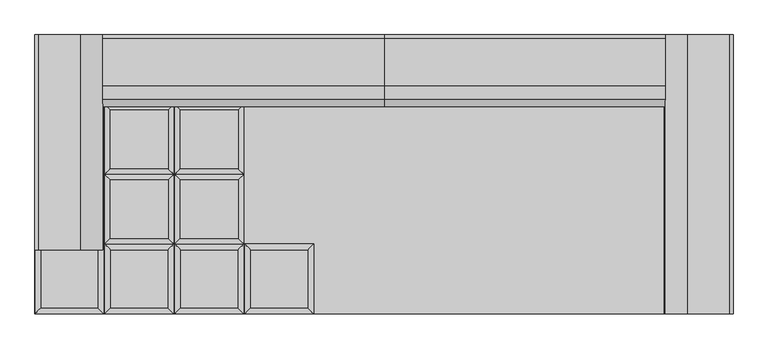
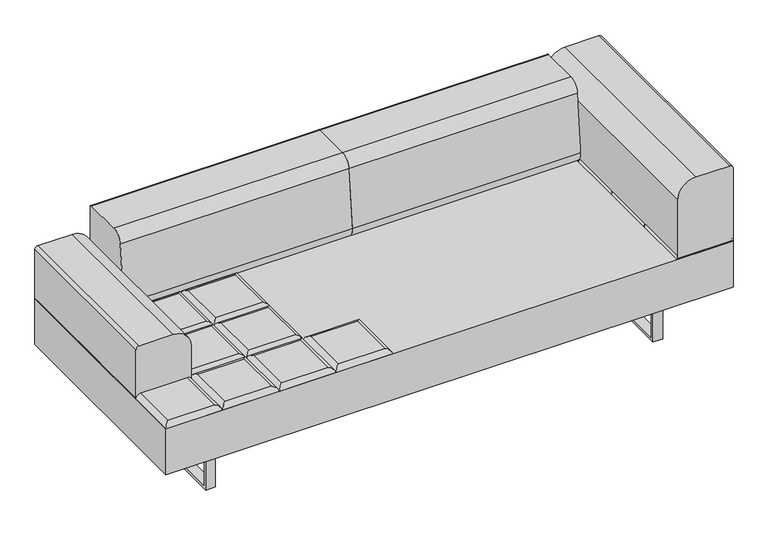
"""IFC4 building model written with IfcOpenShell, lengths in millimetres: furniture geometry."""

import ifcopenshell
import ifcopenshell.guid

model = None  # the IFC model being written
_history = None  # IfcOwnerHistory: only IFC2X3 demands one
_inside = {}  # id of a spatial element -> (the spatial element, [elements in it])
_under = {}  # id of a project, library or spatial element -> (it, [spatial elements below it])
_declared = {}  # id of a project -> (the project, [libraries it declares])
_typed = {}  # id of a type object -> (the type object, [elements of that type])
_made_of = {}  # id of a material, layer set ... -> (it, [elements and type objects made of it])


def new_model(schema):
    """Start an empty IFC model of exactly this schema.

    Asked for "IFC4X3", IfcOpenShell would pick the latest addendum, in which some entities
    have other attributes; the version numbers below select the first issue.
    IFC2X3 requires an IfcOwnerHistory on every rooted entity: one is made here for all.
    """
    global model, _history
    if schema == "IFC4X3":
        model = ifcopenshell.file(schema_version=(4, 3, 0, 0))
    else:
        model = ifcopenshell.file(schema=schema)
    _inside.clear()
    _under.clear()
    _declared.clear()
    _typed.clear()
    _made_of.clear()
    _history = None
    if model.schema == "IFC2X3":
        org = make("IfcOrganization", Name="unknown")
        user = make(
            "IfcPersonAndOrganization",
            ThePerson=make("IfcPerson", FamilyName="unknown"),
            TheOrganization=org,
        )
        app = make(
            "IfcApplication",
            ApplicationDeveloper=org,
            Version="unknown",
            ApplicationFullName="unknown",
            ApplicationIdentifier="unknown",
        )
        _history = make(
            "IfcOwnerHistory",
            OwningUser=user,
            OwningApplication=app,
            ChangeAction="ADDED",
            CreationDate=0,
        )
    return model


def make(cls, **values):
    """One entity of the class cls with the attributes given. An attribute that is None is left unset."""
    return model.create_entity(
        cls, **{name: value for name, value in values.items() if value is not None}
    )


def rooted(cls, **values):
    """An entity with a GlobalId (a new one), such as an element, a storey or a relation."""
    return make(cls, GlobalId=ifcopenshell.guid.new(), OwnerHistory=_history, **values)


def si_unit(unit_type, name, prefix=None):
    """IfcSIUnit, for example si_unit("LENGTHUNIT", "METRE", prefix="MILLI")."""
    return make("IfcSIUnit", UnitType=unit_type, Prefix=prefix, Name=name)


def assignment(units):
    """IfcUnitAssignment: the units of a project."""
    return None if units is None else make("IfcUnitAssignment", Units=units)


def point(xyz):
    """IfcCartesianPoint."""
    return None if xyz is None else make("IfcCartesianPoint", Coordinates=xyz)


def direction(xyz):
    """IfcDirection."""
    return None if xyz is None else make("IfcDirection", DirectionRatios=xyz)


def frame(location, z_axis=None, x_axis=None):
    """IfcAxis2Placement3D, a coordinate frame: its origin and axes. An axis left out is left unset."""
    return make(
        "IfcAxis2Placement3D",
        Location=point(location),
        Axis=direction(z_axis),
        RefDirection=direction(x_axis),
    )


def frame_2d(location, x_axis=None):
    """IfcAxis2Placement2D, a coordinate frame in the plane: its origin and x axis."""
    return make(
        "IfcAxis2Placement2D", Location=point(location), RefDirection=direction(x_axis)
    )


def origin():
    """The frame at (0, 0, 0) with its axes left unset."""
    return frame((0.0, 0.0, 0.0))


def place(relative_to, where):
    """IfcLocalPlacement: puts the frame where relative to a parent placement (None: the world)."""
    return make(
        "IfcLocalPlacement", PlacementRelTo=relative_to, RelativePlacement=where
    )


def context(
    kind, dimensions, precision=None, world=None, true_north=None, identifier=None
):
    """IfcGeometricRepresentationContext, for example the 3D "Model" context."""
    return make(
        "IfcGeometricRepresentationContext",
        ContextIdentifier=identifier,
        ContextType=kind,
        CoordinateSpaceDimension=dimensions,
        Precision=precision,
        WorldCoordinateSystem=world,
        TrueNorth=true_north,
    )


def project(units=None, contexts=None):
    """IfcProject with its units and contexts."""
    return rooted(
        "IfcProject",
        Name="project",
        RepresentationContexts=contexts,
        UnitsInContext=assignment(units),
    )


def spatial(cls, under=None, at=None, **own):
    """A site, building, storey or space (cls), placed at a placement, below another one or the project."""
    s = rooted(cls, ObjectPlacement=at, **own)
    if under is not None:
        _under.setdefault(under.id(), (under, []))[1].append(s)
    return s


def polyline(points):
    """IfcPolyline through the points."""
    return make("IfcPolyline", Points=[point(p) for p in points])


def circle_curve(where, radius):
    """IfcCircle in the frame where."""
    return make("IfcCircle", Position=where, Radius=radius)


def ellipse_curve(where, semi_axis1, semi_axis2):
    """IfcEllipse in the frame where."""
    return make(
        "IfcEllipse", Position=where, SemiAxis1=semi_axis1, SemiAxis2=semi_axis2
    )


def trimmed(basis, trim1, trim2, sense, master):
    """IfcTrimmedCurve: the piece of a basis curve between two trims."""
    return make(
        "IfcTrimmedCurve",
        BasisCurve=basis,
        Trim1=trim1,
        Trim2=trim2,
        SenseAgreement=sense,
        MasterRepresentation=master,
    )


def segment(curve, same_sense, transition):
    """IfcCompositeCurveSegment."""
    return make(
        "IfcCompositeCurveSegment",
        Transition=transition,
        SameSense=same_sense,
        ParentCurve=curve,
    )


def composite_curve(segments, self_intersect=None):
    """IfcCompositeCurve: segments joined end to end."""
    return make("IfcCompositeCurve", Segments=segments, SelfIntersect=self_intersect)


def outline(outer, holes=None, kind="AREA"):
    """IfcArbitraryClosedProfileDef: a profile drawn as a closed curve; with holes, ...WithVoids."""
    if holes is None:
        return make("IfcArbitraryClosedProfileDef", ProfileType=kind, OuterCurve=outer)
    return make(
        "IfcArbitraryProfileDefWithVoids",
        ProfileType=kind,
        OuterCurve=outer,
        InnerCurves=holes,
    )


def extrude(swept, where, along, depth):
    """IfcExtrudedAreaSolid: the profile swept, set in the frame where, extruded along a direction by depth."""
    return make(
        "IfcExtrudedAreaSolid",
        SweptArea=swept,
        Position=where,
        ExtrudedDirection=direction(along),
        Depth=depth,
    )


def shape(context_of_items, identifier, shape_type, items):
    """IfcShapeRepresentation: the items that make up one representation, for example the "Body"."""
    return make(
        "IfcShapeRepresentation",
        ContextOfItems=context_of_items,
        RepresentationIdentifier=identifier,
        RepresentationType=shape_type,
        Items=items,
    )


def source(mapping_origin, context_of_items, identifier, shape_type, items):
    """IfcRepresentationMap: a shape defined once, which mapped items show again and again."""
    return make(
        "IfcRepresentationMap",
        MappingOrigin=mapping_origin,
        MappedRepresentation=shape(context_of_items, identifier, shape_type, items),
    )


def transform(
    local_origin,
    x_axis=None,
    y_axis=None,
    z_axis=None,
    scale=None,
    scale2=None,
    scale3=None,
    uniform=True,
):
    """IfcCartesianTransformationOperator3D, or its non-uniform kind. x_axis, y_axis, z_axis: its Axis1, 2, 3."""
    if uniform:
        return make(
            "IfcCartesianTransformationOperator3D",
            Axis1=direction(x_axis),
            Axis2=direction(y_axis),
            LocalOrigin=point(local_origin),
            Scale=scale,
            Axis3=direction(z_axis),
        )
    return make(
        "IfcCartesianTransformationOperator3DnonUniform",
        Axis1=direction(x_axis),
        Axis2=direction(y_axis),
        LocalOrigin=point(local_origin),
        Scale=scale,
        Axis3=direction(z_axis),
        Scale2=scale2,
        Scale3=scale3,
    )


def mapped(mapping_source, mapping_target):
    """IfcMappedItem: shows the shape of a source again, moved by a transform."""
    return make(
        "IfcMappedItem", MappingSource=mapping_source, MappingTarget=mapping_target
    )


def made_of(thing, what):
    """Note that an element or type object is made of a material, layer set ...; save() writes the relation."""
    if what is not None:
        _made_of.setdefault(what.id(), (what, []))[1].append(thing)
    return thing


def element(
    cls,
    number,
    at=None,
    inside=None,
    cuts=None,
    type_object=None,
    material=None,
    context=None,
    identifier="Body",
    shape_type=None,
    held_by="IfcProductDefinitionShape",
    body=None,
    shapes=None,
    **own,
):
    """One element of the class cls, such as IfcWall. Its Tag is "e" and its number.

    at: its placement. inside: the storey or other place that contains it. cuts: it is an
    opening in that element (IfcRelVoidsElement). A single representation is given by context,
    identifier, shape_type and body (its items); several are given by shapes. held_by: the class
    of the entity that holds the representations. save() writes the other relations.
    """
    e = rooted(cls, Tag="e%d" % number, ObjectPlacement=at, **own)
    if body is not None:
        shapes = [shape(context, identifier, shape_type, body)]
    if shapes is not None:
        e.Representation = make(held_by, Representations=shapes)
    if inside is not None:
        _inside.setdefault(inside.id(), (inside, []))[1].append(e)
    if cuts is not None:
        rooted(
            "IfcRelVoidsElement", RelatingBuildingElement=cuts, RelatedOpeningElement=e
        )
    if type_object is not None:
        _typed.setdefault(type_object.id(), (type_object, []))[1].append(e)
    return made_of(e, material)


def aggregate(whole, parts):
    """IfcRelAggregates: a whole, such as a stair, and the parts it consists of."""
    return rooted("IfcRelAggregates", RelatingObject=whole, RelatedObjects=parts)


def save(model, path):
    """Write the relations noted so far, then the file.

    IfcRelAggregates (storeys below a building ...), IfcRelContainedInSpatialStructure (elements
    in a storey), IfcRelDefinesByType, IfcRelAssociatesMaterial and IfcRelDeclares: one each for
    every whole, place, type object, material and project.
    """
    for whole, parts in _under.values():
        aggregate(whole, parts)
    for where, things in _inside.values():
        rooted(
            "IfcRelContainedInSpatialStructure",
            RelatedElements=things,
            RelatingStructure=where,
        )
    for kind, things in _typed.values():
        rooted("IfcRelDefinesByType", RelatedObjects=things, RelatingType=kind)
    for what, things in _made_of.values():
        rooted("IfcRelAssociatesMaterial", RelatedObjects=things, RelatingMaterial=what)
    for by, libraries in _declared.values():
        rooted("IfcRelDeclares", RelatingContext=by, RelatedDefinitions=libraries)
    model.write(path)


def plane_surface(at):
    """IfcPlane: the flat surface through the origin of the frame at, square to its z axis."""
    return make("IfcPlane", Position=at)


def cylinder_surface(at, radius):
    """IfcCylindricalSurface: all points at the distance radius from the z axis of the frame at."""
    return make("IfcCylindricalSurface", Position=at, Radius=radius)


def advanced_brep(points, edges, surfaces, faces):
    """IfcAdvancedBrep: a solid bounded by faces that lie on surfaces and meet in shared edges.

    An edge is (start, end): straight between two places in points (the first is 0);
    or (start, end, curve); or (start, end, curve, False) where it runs against its curve.
    A face is (place in surfaces, loops), or (place, loops, False) where it looks against
    its surface's normal. A loop lists edges by number (the first is 1), with a minus sign
    where the edge is run from its end to its start. The first loop is the outer one.
    """
    corners = [point(p) for p in points]
    vertices = [make("IfcVertexPoint", VertexGeometry=c) for c in corners]
    made = []
    for start, end, *more in edges:
        made.append(
            make(
                "IfcEdgeCurve",
                EdgeStart=vertices[start],
                EdgeEnd=vertices[end],
                EdgeGeometry=more[0] if more else make("IfcPolyline", Points=[corners[start], corners[end]]),
                SameSense=more[1] if len(more) > 1 else True,
            )
        )
    hull = []
    for where, loops, *sense in faces:
        bounds = []
        for j, loop in enumerate(loops):
            ring = [make("IfcOrientedEdge", EdgeElement=made[abs(k) - 1], Orientation=k > 0) for k in loop]
            bounds.append(
                make(
                    "IfcFaceOuterBound" if j == 0 else "IfcFaceBound",
                    Bound=make("IfcEdgeLoop", EdgeList=ring),
                    Orientation=True,
                )
            )
        hull.append(make("IfcAdvancedFace", Bounds=bounds, FaceSurface=surfaces[where], SameSense=sense[0] if sense else True))
    return make("IfcAdvancedBrep", Outer=make("IfcClosedShell", CfsFaces=hull))


def furniture_93b924e1(model_context):
    return source(origin(), model_context, "Body", "SolidModel", [
        advanced_brep(
        [(-223.9433333, -222.25, 393.7), (-241.9038456, -240.2105122, 411.6605122), (-241.9038456, -426.5394878, 411.6605122), (-223.9433333, -444.5, 393.7), (-425.6928211, -426.5394878, 411.6605122), (-443.6533333, -444.5, 393.7), (-425.6928211, -240.2105122, 411.6605122), (-443.6533333, -222.25, 393.7)],
        [
            (0, 1, ellipse_curve(frame((-241.9038456, -240.2105122, 393.7), z_axis=(0.7071067811865475, -0.7071067811865475, 0.0), x_axis=(0.7071067811865474, 0.7071067811865476, 0.0)), 25.4, 17.9605122)),
            (1, 2),
            (2, 3, ellipse_curve(frame((-241.9038456, -426.5394878, 393.7), z_axis=(0.7071067811865475, 0.7071067811865475, 0.0), x_axis=(-0.7071067811865474, 0.7071067811865476, 0.0)), 25.4, 17.9605122)),
            (3, 0),
            (2, 4),
            (4, 5, ellipse_curve(frame((-425.6928211, -426.5394878, 393.7), z_axis=(0.7071067811865475, -0.7071067811865475, 0.0), x_axis=(0.7071067811865476, 0.7071067811865474, 0.0)), 25.4, 17.9605122)),
            (5, 3),
            (4, 6),
            (6, 7, ellipse_curve(frame((-425.6928211, -240.2105122, 393.7), z_axis=(-0.7071067811865475, -0.7071067811865475, 0.0), x_axis=(0.7071067811865474, -0.7071067811865476, 0.0)), 25.4, 17.9605122)),
            (7, 5),
            (0, 7),
            (6, 1),
        ],
        [
            cylinder_surface(frame((-241.9038456, -222.25, 393.7), z_axis=(0.0, 1.0, 0.0), x_axis=(1.0, 0.0, 0.0)), 17.9605122),
            cylinder_surface(frame((-223.9433333, -426.5394878, 393.7), z_axis=(1.0, 0.0, 0.0), x_axis=(0.0, -1.0, 0.0)), 17.9605122),
            cylinder_surface(frame((-425.6928211, -444.5, 393.7), z_axis=(0.0, -1.0, 0.0), x_axis=(-1.0, 0.0, 0.0)), 17.9605122),
            cylinder_surface(frame((-443.6533333, -240.2105122, 393.7), z_axis=(-1.0, 0.0, 0.0), x_axis=(0.0, 1.0, 0.0)), 17.9605122),
            plane_surface(frame((-443.6533333, -222.25, 393.7), z_axis=(0.0, 0.0, -1.0), x_axis=(1.0, 0.0, 0.0))),
            plane_surface(frame((-425.6928211, -240.2105122, 411.6605122), z_axis=(0.0, 0.0, 1.0), x_axis=(-1.0, 0.0, 0.0))),
        ],
        [
            (0, [[1, 2, 3, 4]]),
            (1, [[-3, 5, 6, 7]]),
            (2, [[-6, 8, 9, 10]]),
            (3, [[-1, 11, -9, 12]]),
            (4, [[-4, -7, -10, -11]]),
            (5, [[-2, -12, -8, -5]]),
        ],
    ),
        advanced_brep(
        [(-464.4360678, -204.2894878, 411.6605122), (-464.4360678, -17.9605122, 411.6605122), (-648.2250433, -17.9605122, 411.6605122), (-648.2250433, -204.2894878, 411.6605122), (-446.4755556, 0.0, 393.7), (-446.4755556, -222.25, 393.7), (-666.1855556, -222.25, 393.7), (-666.1855556, 0.0, 393.7)],
        [
            (0, 1),
            (1, 2),
            (2, 3),
            (3, 0),
            (4, 5),
            (5, 6),
            (6, 7),
            (7, 4),
            (4, 1, ellipse_curve(frame((-464.4360678, -17.9605122, 393.7), z_axis=(0.7071067811865475, -0.7071067811865475, 0.0), x_axis=(0.7071067811865474, 0.7071067811865476, 0.0)), 25.4, 17.9605122)),
            (0, 5, ellipse_curve(frame((-464.4360678, -204.2894878, 393.7), z_axis=(0.7071067811865475, 0.7071067811865475, 0.0), x_axis=(-0.7071067811865474, 0.7071067811865476, 0.0)), 25.4, 17.9605122)),
            (3, 6, ellipse_curve(frame((-648.2250433, -204.2894878, 393.7), z_axis=(0.7071067811865475, -0.7071067811865475, 0.0), x_axis=(0.7071067811865476, 0.7071067811865474, 0.0)), 25.4, 17.9605122)),
            (2, 7, ellipse_curve(frame((-648.2250433, -17.9605122, 393.7), z_axis=(-0.7071067811865475, -0.7071067811865475, 0.0), x_axis=(0.7071067811865474, -0.7071067811865476, 0.0)), 25.4, 17.9605122)),
        ],
        [
            plane_surface(frame((-648.2250433, -17.9605122, 411.6605122), z_axis=(0.0, 0.0, 1.0), x_axis=(-1.0, 0.0, 0.0))),
            plane_surface(frame((-648.2250433, -17.9605122, 393.7), z_axis=(0.0, 0.0, -1.0), x_axis=(1.0, 0.0, 0.0))),
            cylinder_surface(frame((-464.4360678, 0.0, 393.7), z_axis=(0.0, 1.0, 0.0), x_axis=(1.0, 0.0, 0.0)), 17.9605122),
            cylinder_surface(frame((-446.4755556, -204.2894878, 393.7), z_axis=(1.0, 0.0, 0.0), x_axis=(0.0, -1.0, 0.0)), 17.9605122),
            cylinder_surface(frame((-648.2250433, -222.25, 393.7), z_axis=(0.0, -1.0, 0.0), x_axis=(-1.0, 0.0, 0.0)), 17.9605122),
            cylinder_surface(frame((-666.1855556, -17.9605122, 393.7), z_axis=(-1.0, 0.0, 0.0), x_axis=(0.0, 1.0, 0.0)), 17.9605122),
        ],
        [
            (0, [[1, 2, 3, 4]]),
            (1, [[5, 6, 7, 8]]),
            (2, [[9, -1, 10, -5]]),
            (3, [[-10, -4, 11, -6]]),
            (4, [[-11, -3, 12, -7]]),
            (5, [[-9, -8, -12, -2]]),
        ],
    ),
        advanced_brep(
        [(-464.4360678, 17.9605122, 411.6605122), (-464.4360678, 204.2894878, 411.6605122), (-648.2250433, 204.2894878, 411.6605122), (-648.2250433, 17.9605122, 411.6605122), (-446.4755556, 222.25, 393.7), (-446.4755556, 0.0, 393.7), (-666.1855556, 0.0, 393.7), (-666.1855556, 222.25, 393.7)],
        [
            (0, 1),
            (1, 2),
            (2, 3),
            (3, 0),
            (4, 5),
            (5, 6),
            (6, 7),
            (7, 4),
            (4, 1, ellipse_curve(frame((-464.4360678, 204.2894878, 393.7), z_axis=(0.7071067811865475, -0.7071067811865475, 0.0), x_axis=(0.7071067811865474, 0.7071067811865476, 0.0)), 25.4, 17.9605122)),
            (0, 5, ellipse_curve(frame((-464.4360678, 17.9605122, 393.7), z_axis=(0.7071067811865475, 0.7071067811865475, 0.0), x_axis=(-0.7071067811865474, 0.7071067811865476, 0.0)), 25.4, 17.9605122)),
            (3, 6, ellipse_curve(frame((-648.2250433, 17.9605122, 393.7), z_axis=(0.7071067811865475, -0.7071067811865475, 0.0), x_axis=(0.7071067811865476, 0.7071067811865474, 0.0)), 25.4, 17.9605122)),
            (2, 7, ellipse_curve(frame((-648.2250433, 204.2894878, 393.7), z_axis=(-0.7071067811865475, -0.7071067811865475, 0.0), x_axis=(0.7071067811865474, -0.7071067811865476, 0.0)), 25.4, 17.9605122)),
        ],
        [
            plane_surface(frame((-648.2250433, 204.2894878, 411.6605122), z_axis=(0.0, 0.0, 1.0), x_axis=(-1.0, 0.0, 0.0))),
            plane_surface(frame((-648.2250433, 204.2894878, 393.7), z_axis=(0.0, 0.0, -1.0), x_axis=(1.0, 0.0, 0.0))),
            cylinder_surface(frame((-464.4360678, 222.25, 393.7), z_axis=(0.0, 1.0, 0.0), x_axis=(1.0, 0.0, 0.0)), 17.9605122),
            cylinder_surface(frame((-446.4755556, 17.9605122, 393.7), z_axis=(1.0, 0.0, 0.0), x_axis=(0.0, -1.0, 0.0)), 17.9605122),
            cylinder_surface(frame((-648.2250433, 0.0, 393.7), z_axis=(0.0, -1.0, 0.0), x_axis=(-1.0, 0.0, 0.0)), 17.9605122),
            cylinder_surface(frame((-666.1855556, 204.2894878, 393.7), z_axis=(-1.0, 0.0, 0.0), x_axis=(0.0, 1.0, 0.0)), 17.9605122),
        ],
        [
            (0, [[1, 2, 3, 4]]),
            (1, [[5, 6, 7, 8]]),
            (2, [[9, -1, 10, -5]]),
            (3, [[-10, -4, 11, -6]]),
            (4, [[-11, -3, 12, -7]]),
            (5, [[-9, -8, -12, -2]]),
        ],
    ),
        advanced_brep(
        [(-464.4360678, 240.2105122, 411.6605122), (-464.4360678, 426.5394878, 411.6605122), (-648.2250433, 426.5394878, 411.6605122), (-648.2250433, 240.2105122, 411.6605122), (-446.4755556, 444.5, 393.7), (-446.4755556, 222.25, 393.7), (-666.1855556, 222.25, 393.7), (-666.1855556, 444.5, 393.7)],
        [
            (0, 1),
            (1, 2),
            (2, 3),
            (3, 0),
            (4, 5),
            (5, 6),
            (6, 7),
            (7, 4),
            (4, 1, ellipse_curve(frame((-464.4360678, 426.5394878, 393.7), z_axis=(0.7071067811865475, -0.7071067811865475, 0.0), x_axis=(0.7071067811865474, 0.7071067811865476, 0.0)), 25.4, 17.9605122)),
            (0, 5, ellipse_curve(frame((-464.4360678, 240.2105122, 393.7), z_axis=(0.7071067811865475, 0.7071067811865475, 0.0), x_axis=(-0.7071067811865474, 0.7071067811865476, 0.0)), 25.4, 17.9605122)),
            (3, 6, ellipse_curve(frame((-648.2250433, 240.2105122, 393.7), z_axis=(0.7071067811865475, -0.7071067811865475, 0.0), x_axis=(0.7071067811865476, 0.7071067811865474, 0.0)), 25.4, 17.9605122)),
            (2, 7, ellipse_curve(frame((-648.2250433, 426.5394878, 393.7), z_axis=(-0.7071067811865475, -0.7071067811865475, 0.0), x_axis=(0.7071067811865474, -0.7071067811865476, 0.0)), 25.4, 17.9605122)),
        ],
        [
            plane_surface(frame((-648.2250433, 426.5394878, 411.6605122), z_axis=(0.0, 0.0, 1.0), x_axis=(-1.0, 0.0, 0.0))),
            plane_surface(frame((-648.2250433, 426.5394878, 393.7), z_axis=(0.0, 0.0, -1.0), x_axis=(1.0, 0.0, 0.0))),
            cylinder_surface(frame((-464.4360678, 444.5, 393.7), z_axis=(0.0, 1.0, 0.0), x_axis=(1.0, 0.0, 0.0)), 17.9605122),
            cylinder_surface(frame((-446.4755556, 240.2105122, 393.7), z_axis=(1.0, 0.0, 0.0), x_axis=(0.0, -1.0, 0.0)), 17.9605122),
            cylinder_surface(frame((-648.2250433, 222.25, 393.7), z_axis=(0.0, -1.0, 0.0), x_axis=(-1.0, 0.0, 0.0)), 17.9605122),
            cylinder_surface(frame((-666.1855556, 426.5394878, 393.7), z_axis=(-1.0, 0.0, 0.0), x_axis=(0.0, 1.0, 0.0)), 17.9605122),
        ],
        [
            (0, [[1, 2, 3, 4]]),
            (1, [[5, 6, 7, 8]]),
            (2, [[9, -1, 10, -5]]),
            (3, [[-10, -4, 11, -6]]),
            (4, [[-11, -3, 12, -7]]),
            (5, [[-9, -8, -12, -2]]),
        ],
    ),
        advanced_brep(
        [(-446.4755556, -222.25, 393.7), (-464.4360678, -240.2105122, 411.6605122), (-464.4360678, -426.5394878, 411.6605122), (-446.4755556, -444.5, 393.7), (-648.2250433, -426.5394878, 411.6605122), (-666.1855556, -444.5, 393.7), (-648.2250433, -240.2105122, 411.6605122), (-666.1855556, -222.25, 393.7)],
        [
            (0, 1, ellipse_curve(frame((-464.4360678, -240.2105122, 393.7), z_axis=(0.7071067811865475, -0.7071067811865475, 0.0), x_axis=(0.7071067811865474, 0.7071067811865476, 0.0)), 25.4, 17.9605122)),
            (1, 2),
            (2, 3, ellipse_curve(frame((-464.4360678, -426.5394878, 393.7), z_axis=(0.7071067811865475, 0.7071067811865475, 0.0), x_axis=(-0.7071067811865474, 0.7071067811865476, 0.0)), 25.4, 17.9605122)),
            (3, 0),
            (2, 4),
            (4, 5, ellipse_curve(frame((-648.2250433, -426.5394878, 393.7), z_axis=(0.7071067811865475, -0.7071067811865475, 0.0), x_axis=(0.7071067811865476, 0.7071067811865474, 0.0)), 25.4, 17.9605122)),
            (5, 3),
            (4, 6),
            (6, 7, ellipse_curve(frame((-648.2250433, -240.2105122, 393.7), z_axis=(-0.7071067811865475, -0.7071067811865475, 0.0), x_axis=(0.7071067811865474, -0.7071067811865476, 0.0)), 25.4, 17.9605122)),
            (7, 5),
            (0, 7),
            (6, 1),
        ],
        [
            cylinder_surface(frame((-464.4360678, -222.25, 393.7), z_axis=(0.0, 1.0, 0.0), x_axis=(1.0, 0.0, 0.0)), 17.9605122),
            cylinder_surface(frame((-446.4755556, -426.5394878, 393.7), z_axis=(1.0, 0.0, 0.0), x_axis=(0.0, -1.0, 0.0)), 17.9605122),
            cylinder_surface(frame((-648.2250433, -444.5, 393.7), z_axis=(0.0, -1.0, 0.0), x_axis=(-1.0, 0.0, 0.0)), 17.9605122),
            cylinder_surface(frame((-666.1855556, -240.2105122, 393.7), z_axis=(-1.0, 0.0, 0.0), x_axis=(0.0, 1.0, 0.0)), 17.9605122),
            plane_surface(frame((-666.1855556, -222.25, 393.7), z_axis=(0.0, 0.0, -1.0), x_axis=(1.0, 0.0, 0.0))),
            plane_surface(frame((-648.2250433, -240.2105122, 411.6605122), z_axis=(0.0, 0.0, 1.0), x_axis=(-1.0, 0.0, 0.0))),
        ],
        [
            (0, [[1, 2, 3, 4]]),
            (1, [[-3, 5, 6, 7]]),
            (2, [[-6, 8, 9, 10]]),
            (3, [[-1, 11, -9, 12]]),
            (4, [[-4, -7, -10, -11]]),
            (5, [[-2, -12, -8, -5]]),
        ],
    ),
        advanced_brep(
        [(-686.96829, -204.2894878, 411.6605122), (-686.96829, -17.9605122, 411.6605122), (-870.7572655, -17.9605122, 411.6605122), (-870.7572655, -204.2894878, 411.6605122), (-669.0077778, 0.0, 393.7), (-669.0077778, -222.25, 393.7), (-888.7177778, -222.25, 393.7), (-888.7177778, 0.0, 393.7)],
        [
            (0, 1),
            (1, 2),
            (2, 3),
            (3, 0),
            (4, 5),
            (5, 6),
            (6, 7),
            (7, 4),
            (4, 1, ellipse_curve(frame((-686.96829, -17.9605122, 393.7), z_axis=(0.7071067811865475, -0.7071067811865475, 0.0), x_axis=(0.7071067811865474, 0.7071067811865476, 0.0)), 25.4, 17.9605122)),
            (0, 5, ellipse_curve(frame((-686.96829, -204.2894878, 393.7), z_axis=(0.7071067811865475, 0.7071067811865475, 0.0), x_axis=(-0.7071067811865474, 0.7071067811865476, 0.0)), 25.4, 17.9605122)),
            (3, 6, ellipse_curve(frame((-870.7572655, -204.2894878, 393.7), z_axis=(0.7071067811865475, -0.7071067811865475, 0.0), x_axis=(0.7071067811865476, 0.7071067811865474, 0.0)), 25.4, 17.9605122)),
            (2, 7, ellipse_curve(frame((-870.7572655, -17.9605122, 393.7), z_axis=(-0.7071067811865475, -0.7071067811865475, 0.0), x_axis=(0.7071067811865474, -0.7071067811865476, 0.0)), 25.4, 17.9605122)),
        ],
        [
            plane_surface(frame((-870.7572655, -17.9605122, 411.6605122), z_axis=(0.0, 0.0, 1.0), x_axis=(-1.0, 0.0, 0.0))),
            plane_surface(frame((-870.7572655, -17.9605122, 393.7), z_axis=(0.0, 0.0, -1.0), x_axis=(1.0, 0.0, 0.0))),
            cylinder_surface(frame((-686.96829, 0.0, 393.7), z_axis=(0.0, 1.0, 0.0), x_axis=(1.0, 0.0, 0.0)), 17.9605122),
            cylinder_surface(frame((-669.0077778, -204.2894878, 393.7), z_axis=(1.0, 0.0, 0.0), x_axis=(0.0, -1.0, 0.0)), 17.9605122),
            cylinder_surface(frame((-870.7572655, -222.25, 393.7), z_axis=(0.0, -1.0, 0.0), x_axis=(-1.0, 0.0, 0.0)), 17.9605122),
            cylinder_surface(frame((-888.7177778, -17.9605122, 393.7), z_axis=(-1.0, 0.0, 0.0), x_axis=(0.0, 1.0, 0.0)), 17.9605122),
        ],
        [
            (0, [[1, 2, 3, 4]]),
            (1, [[5, 6, 7, 8]]),
            (2, [[9, -1, 10, -5]]),
            (3, [[-10, -4, 11, -6]]),
            (4, [[-11, -3, 12, -7]]),
            (5, [[-9, -8, -12, -2]]),
        ],
    ),
        advanced_brep(
        [(-686.96829, 17.9605122, 411.6605122), (-686.96829, 204.2894878, 411.6605122), (-870.7572655, 204.2894878, 411.6605122), (-870.7572655, 17.9605122, 411.6605122), (-669.0077778, 222.25, 393.7), (-669.0077778, 0.0, 393.7), (-888.7177778, 0.0, 393.7), (-888.7177778, 222.25, 393.7)],
        [
            (0, 1),
            (1, 2),
            (2, 3),
            (3, 0),
            (4, 5),
            (5, 6),
            (6, 7),
            (7, 4),
            (4, 1, ellipse_curve(frame((-686.96829, 204.2894878, 393.7), z_axis=(0.7071067811865475, -0.7071067811865475, 0.0), x_axis=(0.7071067811865474, 0.7071067811865476, 0.0)), 25.4, 17.9605122)),
            (0, 5, ellipse_curve(frame((-686.96829, 17.9605122, 393.7), z_axis=(0.7071067811865475, 0.7071067811865475, 0.0), x_axis=(-0.7071067811865474, 0.7071067811865476, 0.0)), 25.4, 17.9605122)),
            (3, 6, ellipse_curve(frame((-870.7572655, 17.9605122, 393.7), z_axis=(0.7071067811865475, -0.7071067811865475, 0.0), x_axis=(0.7071067811865476, 0.7071067811865474, 0.0)), 25.4, 17.9605122)),
            (2, 7, ellipse_curve(frame((-870.7572655, 204.2894878, 393.7), z_axis=(-0.7071067811865475, -0.7071067811865475, 0.0), x_axis=(0.7071067811865474, -0.7071067811865476, 0.0)), 25.4, 17.9605122)),
        ],
        [
            plane_surface(frame((-870.7572655, 204.2894878, 411.6605122), z_axis=(0.0, 0.0, 1.0), x_axis=(-1.0, 0.0, 0.0))),
            plane_surface(frame((-870.7572655, 204.2894878, 393.7), z_axis=(0.0, 0.0, -1.0), x_axis=(1.0, 0.0, 0.0))),
            cylinder_surface(frame((-686.96829, 222.25, 393.7), z_axis=(0.0, 1.0, 0.0), x_axis=(1.0, 0.0, 0.0)), 17.9605122),
            cylinder_surface(frame((-669.0077778, 17.9605122, 393.7), z_axis=(1.0, 0.0, 0.0), x_axis=(0.0, -1.0, 0.0)), 17.9605122),
            cylinder_surface(frame((-870.7572655, 0.0, 393.7), z_axis=(0.0, -1.0, 0.0), x_axis=(-1.0, 0.0, 0.0)), 17.9605122),
            cylinder_surface(frame((-888.7177778, 204.2894878, 393.7), z_axis=(-1.0, 0.0, 0.0), x_axis=(0.0, 1.0, 0.0)), 17.9605122),
        ],
        [
            (0, [[1, 2, 3, 4]]),
            (1, [[5, 6, 7, 8]]),
            (2, [[9, -1, 10, -5]]),
            (3, [[-10, -4, 11, -6]]),
            (4, [[-11, -3, 12, -7]]),
            (5, [[-9, -8, -12, -2]]),
        ],
    ),
        advanced_brep(
        [(-686.96829, 240.2105122, 411.6605122), (-686.96829, 426.5394878, 411.6605122), (-870.7572655, 426.5394878, 411.6605122), (-870.7572655, 240.2105122, 411.6605122), (-669.0077778, 444.5, 393.7), (-669.0077778, 222.25, 393.7), (-888.7177778, 222.25, 393.7), (-888.7177778, 444.5, 393.7)],
        [
            (0, 1),
            (1, 2),
            (2, 3),
            (3, 0),
            (4, 5),
            (5, 6),
            (6, 7),
            (7, 4),
            (4, 1, ellipse_curve(frame((-686.96829, 426.5394878, 393.7), z_axis=(0.7071067811865475, -0.7071067811865475, 0.0), x_axis=(0.7071067811865474, 0.7071067811865476, 0.0)), 25.4, 17.9605122)),
            (0, 5, ellipse_curve(frame((-686.96829, 240.2105122, 393.7), z_axis=(0.7071067811865475, 0.7071067811865475, 0.0), x_axis=(-0.7071067811865474, 0.7071067811865476, 0.0)), 25.4, 17.9605122)),
            (3, 6, ellipse_curve(frame((-870.7572655, 240.2105122, 393.7), z_axis=(0.7071067811865475, -0.7071067811865475, 0.0), x_axis=(0.7071067811865476, 0.7071067811865474, 0.0)), 25.4, 17.9605122)),
            (2, 7, ellipse_curve(frame((-870.7572655, 426.5394878, 393.7), z_axis=(-0.7071067811865475, -0.7071067811865475, 0.0), x_axis=(0.7071067811865474, -0.7071067811865476, 0.0)), 25.4, 17.9605122)),
        ],
        [
            plane_surface(frame((-870.7572655, 426.5394878, 411.6605122), z_axis=(0.0, 0.0, 1.0), x_axis=(-1.0, 0.0, 0.0))),
            plane_surface(frame((-870.7572655, 426.5394878, 393.7), z_axis=(0.0, 0.0, -1.0), x_axis=(1.0, 0.0, 0.0))),
            cylinder_surface(frame((-686.96829, 444.5, 393.7), z_axis=(0.0, 1.0, 0.0), x_axis=(1.0, 0.0, 0.0)), 17.9605122),
            cylinder_surface(frame((-669.0077778, 240.2105122, 393.7), z_axis=(1.0, 0.0, 0.0), x_axis=(0.0, -1.0, 0.0)), 17.9605122),
            cylinder_surface(frame((-870.7572655, 222.25, 393.7), z_axis=(0.0, -1.0, 0.0), x_axis=(-1.0, 0.0, 0.0)), 17.9605122),
            cylinder_surface(frame((-888.7177778, 426.5394878, 393.7), z_axis=(-1.0, 0.0, 0.0), x_axis=(0.0, 1.0, 0.0)), 17.9605122),
        ],
        [
            (0, [[1, 2, 3, 4]]),
            (1, [[5, 6, 7, 8]]),
            (2, [[9, -1, 10, -5]]),
            (3, [[-10, -4, 11, -6]]),
            (4, [[-11, -3, 12, -7]]),
            (5, [[-9, -8, -12, -2]]),
        ],
    ),
        advanced_brep(
        [(-669.0077778, -222.25, 393.7), (-686.96829, -240.2105122, 411.6605122), (-686.96829, -426.5394878, 411.6605122), (-669.0077778, -444.5, 393.7), (-870.7572655, -426.5394878, 411.6605122), (-888.7177778, -444.5, 393.7), (-870.7572655, -240.2105122, 411.6605122), (-888.7177778, -222.25, 393.7)],
        [
            (0, 1, ellipse_curve(frame((-686.96829, -240.2105122, 393.7), z_axis=(0.7071067811865475, -0.7071067811865475, 0.0), x_axis=(0.7071067811865474, 0.7071067811865476, 0.0)), 25.4, 17.9605122)),
            (1, 2),
            (2, 3, ellipse_curve(frame((-686.96829, -426.5394878, 393.7), z_axis=(0.7071067811865475, 0.7071067811865475, 0.0), x_axis=(-0.7071067811865474, 0.7071067811865476, 0.0)), 25.4, 17.9605122)),
            (3, 0),
            (2, 4),
            (4, 5, ellipse_curve(frame((-870.7572655, -426.5394878, 393.7), z_axis=(0.7071067811865475, -0.7071067811865475, 0.0), x_axis=(0.7071067811865476, 0.7071067811865474, 0.0)), 25.4, 17.9605122)),
            (5, 3),
            (4, 6),
            (6, 7, ellipse_curve(frame((-870.7572655, -240.2105122, 393.7), z_axis=(-0.7071067811865475, -0.7071067811865475, 0.0), x_axis=(0.7071067811865474, -0.7071067811865476, 0.0)), 25.4, 17.9605122)),
            (7, 5),
            (0, 7),
            (6, 1),
        ],
        [
            cylinder_surface(frame((-686.96829, -222.25, 393.7), z_axis=(0.0, 1.0, 0.0), x_axis=(1.0, 0.0, 0.0)), 17.9605122),
            cylinder_surface(frame((-669.0077778, -426.5394878, 393.7), z_axis=(1.0, 0.0, 0.0), x_axis=(0.0, -1.0, 0.0)), 17.9605122),
            cylinder_surface(frame((-870.7572655, -444.5, 393.7), z_axis=(0.0, -1.0, 0.0), x_axis=(-1.0, 0.0, 0.0)), 17.9605122),
            cylinder_surface(frame((-888.7177778, -240.2105122, 393.7), z_axis=(-1.0, 0.0, 0.0), x_axis=(0.0, 1.0, 0.0)), 17.9605122),
            plane_surface(frame((-888.7177778, -222.25, 393.7), z_axis=(0.0, 0.0, -1.0), x_axis=(1.0, 0.0, 0.0))),
            plane_surface(frame((-870.7572655, -240.2105122, 411.6605122), z_axis=(0.0, 0.0, 1.0), x_axis=(-1.0, 0.0, 0.0))),
        ],
        [
            (0, [[1, 2, 3, 4]]),
            (1, [[-3, 5, 6, 7]]),
            (2, [[-6, 8, 9, 10]]),
            (3, [[-1, 11, -9, 12]]),
            (4, [[-4, -7, -10, -11]]),
            (5, [[-2, -12, -8, -5]]),
        ],
    ),
        advanced_brep(
        [(1093.2894878, -204.2894878, 411.6605122), (1093.2894878, -17.9605122, 411.6605122), (909.5005122, -17.9605122, 411.6605122), (909.5005122, -204.2894878, 411.6605122), (1111.25, 0.0, 393.7), (1111.25, -222.25, 393.7), (891.54, -222.25, 393.7), (891.54, 0.0, 393.7)],
        [
            (0, 1),
            (1, 2),
            (2, 3),
            (3, 0),
            (4, 5),
            (5, 6),
            (6, 7),
            (7, 4),
            (4, 1, ellipse_curve(frame((1093.2894878, -17.9605122, 393.7), z_axis=(0.7071067811865475, -0.7071067811865475, 0.0), x_axis=(0.7071067811865474, 0.7071067811865476, 0.0)), 25.4, 17.9605122)),
            (0, 5, ellipse_curve(frame((1093.2894878, -204.2894878, 393.7), z_axis=(0.7071067811865475, 0.7071067811865475, 0.0), x_axis=(-0.7071067811865474, 0.7071067811865476, 0.0)), 25.4, 17.9605122)),
            (3, 6, ellipse_curve(frame((909.5005122, -204.2894878, 393.7), z_axis=(0.7071067811865475, -0.7071067811865475, 0.0), x_axis=(0.7071067811865476, 0.7071067811865474, 0.0)), 25.4, 17.9605122)),
            (2, 7, ellipse_curve(frame((909.5005122, -17.9605122, 393.7), z_axis=(-0.7071067811865475, -0.7071067811865475, 0.0), x_axis=(0.7071067811865474, -0.7071067811865476, 0.0)), 25.4, 17.9605122)),
        ],
        [
            plane_surface(frame((909.5005122, -17.9605122, 411.6605122), z_axis=(0.0, 0.0, 1.0), x_axis=(-1.0, 0.0, 0.0))),
            plane_surface(frame((909.5005122, -17.9605122, 393.7), z_axis=(0.0, 0.0, -1.0), x_axis=(1.0, 0.0, 0.0))),
            cylinder_surface(frame((1093.2894878, 0.0, 393.7), z_axis=(0.0, 1.0, 0.0), x_axis=(1.0, 0.0, 0.0)), 17.9605122),
            cylinder_surface(frame((1111.25, -204.2894878, 393.7), z_axis=(1.0, 0.0, 0.0), x_axis=(0.0, -1.0, 0.0)), 17.9605122),
            cylinder_surface(frame((909.5005122, -222.25, 393.7), z_axis=(0.0, -1.0, 0.0), x_axis=(-1.0, 0.0, 0.0)), 17.9605122),
            cylinder_surface(frame((891.54, -17.9605122, 393.7), z_axis=(-1.0, 0.0, 0.0), x_axis=(0.0, 1.0, 0.0)), 17.9605122),
        ],
        [
            (0, [[1, 2, 3, 4]]),
            (1, [[5, 6, 7, 8]]),
            (2, [[9, -1, 10, -5]]),
            (3, [[-10, -4, 11, -6]]),
            (4, [[-11, -3, 12, -7]]),
            (5, [[-9, -8, -12, -2]]),
        ],
    ),
        advanced_brep(
        [(1093.2894878, 17.9605122, 411.6605122), (1093.2894878, 204.2894878, 411.6605122), (909.5005122, 204.2894878, 411.6605122), (909.5005122, 17.9605122, 411.6605122), (1111.25, 222.25, 393.7), (1111.25, 0.0, 393.7), (891.54, 0.0, 393.7), (891.54, 222.25, 393.7)],
        [
            (0, 1),
            (1, 2),
            (2, 3),
            (3, 0),
            (4, 5),
            (5, 6),
            (6, 7),
            (7, 4),
            (4, 1, ellipse_curve(frame((1093.2894878, 204.2894878, 393.7), z_axis=(0.7071067811865475, -0.7071067811865475, 0.0), x_axis=(0.7071067811865474, 0.7071067811865476, 0.0)), 25.4, 17.9605122)),
            (0, 5, ellipse_curve(frame((1093.2894878, 17.9605122, 393.7), z_axis=(0.7071067811865475, 0.7071067811865475, 0.0), x_axis=(-0.7071067811865474, 0.7071067811865476, 0.0)), 25.4, 17.9605122)),
            (3, 6, ellipse_curve(frame((909.5005122, 17.9605122, 393.7), z_axis=(0.7071067811865475, -0.7071067811865475, 0.0), x_axis=(0.7071067811865476, 0.7071067811865474, 0.0)), 25.4, 17.9605122)),
            (2, 7, ellipse_curve(frame((909.5005122, 204.2894878, 393.7), z_axis=(-0.7071067811865475, -0.7071067811865475, 0.0), x_axis=(0.7071067811865474, -0.7071067811865476, 0.0)), 25.4, 17.9605122)),
        ],
        [
            plane_surface(frame((909.5005122, 204.2894878, 411.6605122), z_axis=(0.0, 0.0, 1.0), x_axis=(-1.0, 0.0, 0.0))),
            plane_surface(frame((909.5005122, 204.2894878, 393.7), z_axis=(0.0, 0.0, -1.0), x_axis=(1.0, 0.0, 0.0))),
            cylinder_surface(frame((1093.2894878, 222.25, 393.7), z_axis=(0.0, 1.0, 0.0), x_axis=(1.0, 0.0, 0.0)), 17.9605122),
            cylinder_surface(frame((1111.25, 17.9605122, 393.7), z_axis=(1.0, 0.0, 0.0), x_axis=(0.0, -1.0, 0.0)), 17.9605122),
            cylinder_surface(frame((909.5005122, 0.0, 393.7), z_axis=(0.0, -1.0, 0.0), x_axis=(-1.0, 0.0, 0.0)), 17.9605122),
            cylinder_surface(frame((891.54, 204.2894878, 393.7), z_axis=(-1.0, 0.0, 0.0), x_axis=(0.0, 1.0, 0.0)), 17.9605122),
        ],
        [
            (0, [[1, 2, 3, 4]]),
            (1, [[5, 6, 7, 8]]),
            (2, [[9, -1, 10, -5]]),
            (3, [[-10, -4, 11, -6]]),
            (4, [[-11, -3, 12, -7]]),
            (5, [[-9, -8, -12, -2]]),
        ],
    ),
        advanced_brep(
        [(1093.2894878, 240.2105122, 411.6605122), (1093.2894878, 426.5394878, 411.6605122), (909.5005122, 426.5394878, 411.6605122), (909.5005122, 240.2105122, 411.6605122), (1111.25, 444.5, 393.7), (1111.25, 222.25, 393.7), (891.54, 222.25, 393.7), (891.54, 444.5, 393.7)],
        [
            (0, 1),
            (1, 2),
            (2, 3),
            (3, 0),
            (4, 5),
            (5, 6),
            (6, 7),
            (7, 4),
            (4, 1, ellipse_curve(frame((1093.2894878, 426.5394878, 393.7), z_axis=(0.7071067811865475, -0.7071067811865475, 0.0), x_axis=(0.7071067811865474, 0.7071067811865476, 0.0)), 25.4, 17.9605122)),
            (0, 5, ellipse_curve(frame((1093.2894878, 240.2105122, 393.7), z_axis=(0.7071067811865475, 0.7071067811865475, 0.0), x_axis=(-0.7071067811865474, 0.7071067811865476, 0.0)), 25.4, 17.9605122)),
            (3, 6, ellipse_curve(frame((909.5005122, 240.2105122, 393.7), z_axis=(0.7071067811865475, -0.7071067811865475, 0.0), x_axis=(0.7071067811865476, 0.7071067811865474, 0.0)), 25.4, 17.9605122)),
            (2, 7, ellipse_curve(frame((909.5005122, 426.5394878, 393.7), z_axis=(-0.7071067811865475, -0.7071067811865475, 0.0), x_axis=(0.7071067811865474, -0.7071067811865476, 0.0)), 25.4, 17.9605122)),
        ],
        [
            plane_surface(frame((909.5005122, 426.5394878, 411.6605122), z_axis=(0.0, 0.0, 1.0), x_axis=(-1.0, 0.0, 0.0))),
            plane_surface(frame((909.5005122, 426.5394878, 393.7), z_axis=(0.0, 0.0, -1.0), x_axis=(1.0, 0.0, 0.0))),
            cylinder_surface(frame((1093.2894878, 444.5, 393.7), z_axis=(0.0, 1.0, 0.0), x_axis=(1.0, 0.0, 0.0)), 17.9605122),
            cylinder_surface(frame((1111.25, 240.2105122, 393.7), z_axis=(1.0, 0.0, 0.0), x_axis=(0.0, -1.0, 0.0)), 17.9605122),
            cylinder_surface(frame((909.5005122, 222.25, 393.7), z_axis=(0.0, -1.0, 0.0), x_axis=(-1.0, 0.0, 0.0)), 17.9605122),
            cylinder_surface(frame((891.54, 426.5394878, 393.7), z_axis=(-1.0, 0.0, 0.0), x_axis=(0.0, 1.0, 0.0)), 17.9605122),
        ],
        [
            (0, [[1, 2, 3, 4]]),
            (1, [[5, 6, 7, 8]]),
            (2, [[9, -1, 10, -5]]),
            (3, [[-10, -4, 11, -6]]),
            (4, [[-11, -3, 12, -7]]),
            (5, [[-9, -8, -12, -2]]),
        ],
    ),
        advanced_brep(
        [(1111.25, -222.25, 393.7), (1093.2894878, -240.2105122, 411.6605122), (1093.2894878, -426.5394878, 411.6605122), (1111.25, -444.5, 393.7), (909.5005122, -426.5394878, 411.6605122), (891.54, -444.5, 393.7), (909.5005122, -240.2105122, 411.6605122), (891.54, -222.25, 393.7)],
        [
            (0, 1, ellipse_curve(frame((1093.2894878, -240.2105122, 393.7), z_axis=(0.7071067811865475, -0.7071067811865475, 0.0), x_axis=(0.7071067811865474, 0.7071067811865476, 0.0)), 25.4, 17.9605122)),
            (1, 2),
            (2, 3, ellipse_curve(frame((1093.2894878, -426.5394878, 393.7), z_axis=(0.7071067811865475, 0.7071067811865475, 0.0), x_axis=(-0.7071067811865474, 0.7071067811865476, 0.0)), 25.4, 17.9605122)),
            (3, 0),
            (2, 4),
            (4, 5, ellipse_curve(frame((909.5005122, -426.5394878, 393.7), z_axis=(0.7071067811865475, -0.7071067811865475, 0.0), x_axis=(0.7071067811865476, 0.7071067811865474, 0.0)), 25.4, 17.9605122)),
            (5, 3),
            (4, 6),
            (6, 7, ellipse_curve(frame((909.5005122, -240.2105122, 393.7), z_axis=(-0.7071067811865475, -0.7071067811865475, 0.0), x_axis=(0.7071067811865474, -0.7071067811865476, 0.0)), 25.4, 17.9605122)),
            (7, 5),
            (0, 7),
            (6, 1),
        ],
        [
            cylinder_surface(frame((1093.2894878, -222.25, 393.7), z_axis=(0.0, 1.0, 0.0), x_axis=(1.0, 0.0, 0.0)), 17.9605122),
            cylinder_surface(frame((1111.25, -426.5394878, 393.7), z_axis=(1.0, 0.0, 0.0), x_axis=(0.0, -1.0, 0.0)), 17.9605122),
            cylinder_surface(frame((909.5005122, -444.5, 393.7), z_axis=(0.0, -1.0, 0.0), x_axis=(-1.0, 0.0, 0.0)), 17.9605122),
            cylinder_surface(frame((891.54, -240.2105122, 393.7), z_axis=(-1.0, 0.0, 0.0), x_axis=(0.0, 1.0, 0.0)), 17.9605122),
            plane_surface(frame((891.54, -222.25, 393.7), z_axis=(0.0, 0.0, -1.0), x_axis=(1.0, 0.0, 0.0))),
            plane_surface(frame((909.5005122, -240.2105122, 411.6605122), z_axis=(0.0, 0.0, 1.0), x_axis=(-1.0, 0.0, 0.0))),
        ],
        [
            (0, [[1, 2, 3, 4]]),
            (1, [[-3, 5, 6, 7]]),
            (2, [[-6, 8, 9, 10]]),
            (3, [[-1, 11, -9, 12]]),
            (4, [[-4, -7, -10, -11]]),
            (5, [[-2, -12, -8, -5]]),
        ],
    ),
        advanced_brep(
        [(-909.5005122, -204.2894878, 411.6605122), (-909.5005122, -17.9605122, 411.6605122), (-1093.2894878, -17.9605122, 411.6605122), (-1093.2894878, -204.2894878, 411.6605122), (-891.54, 0.0, 393.7), (-891.54, -222.25, 393.7), (-1111.25, -222.25, 393.7), (-1111.25, 0.0, 393.7)],
        [
            (0, 1),
            (1, 2),
            (2, 3),
            (3, 0),
            (4, 5),
            (5, 6),
            (6, 7),
            (7, 4),
            (4, 1, ellipse_curve(frame((-909.5005122, -17.9605122, 393.7), z_axis=(0.7071067811865475, -0.7071067811865475, 0.0), x_axis=(0.7071067811865474, 0.7071067811865476, 0.0)), 25.4, 17.9605122)),
            (0, 5, ellipse_curve(frame((-909.5005122, -204.2894878, 393.7), z_axis=(0.7071067811865475, 0.7071067811865475, 0.0), x_axis=(-0.7071067811865474, 0.7071067811865476, 0.0)), 25.4, 17.9605122)),
            (3, 6, ellipse_curve(frame((-1093.2894878, -204.2894878, 393.7), z_axis=(0.7071067811865475, -0.7071067811865475, 0.0), x_axis=(0.7071067811865476, 0.7071067811865474, 0.0)), 25.4, 17.9605122)),
            (2, 7, ellipse_curve(frame((-1093.2894878, -17.9605122, 393.7), z_axis=(-0.7071067811865475, -0.7071067811865475, 0.0), x_axis=(0.7071067811865474, -0.7071067811865476, 0.0)), 25.4, 17.9605122)),
        ],
        [
            plane_surface(frame((-1093.2894878, -17.9605122, 411.6605122), z_axis=(0.0, 0.0, 1.0), x_axis=(-1.0, 0.0, 0.0))),
            plane_surface(frame((-1093.2894878, -17.9605122, 393.7), z_axis=(0.0, 0.0, -1.0), x_axis=(1.0, 0.0, 0.0))),
            cylinder_surface(frame((-909.5005122, 0.0, 393.7), z_axis=(0.0, 1.0, 0.0), x_axis=(1.0, 0.0, 0.0)), 17.9605122),
            cylinder_surface(frame((-891.54, -204.2894878, 393.7), z_axis=(1.0, 0.0, 0.0), x_axis=(0.0, -1.0, 0.0)), 17.9605122),
            cylinder_surface(frame((-1093.2894878, -222.25, 393.7), z_axis=(0.0, -1.0, 0.0), x_axis=(-1.0, 0.0, 0.0)), 17.9605122),
            cylinder_surface(frame((-1111.25, -17.9605122, 393.7), z_axis=(-1.0, 0.0, 0.0), x_axis=(0.0, 1.0, 0.0)), 17.9605122),
        ],
        [
            (0, [[1, 2, 3, 4]]),
            (1, [[5, 6, 7, 8]]),
            (2, [[9, -1, 10, -5]]),
            (3, [[-10, -4, 11, -6]]),
            (4, [[-11, -3, 12, -7]]),
            (5, [[-9, -8, -12, -2]]),
        ],
    ),
        advanced_brep(
        [(-909.5005122, 17.9605122, 411.6605122), (-909.5005122, 204.2894878, 411.6605122), (-1093.2894878, 204.2894878, 411.6605122), (-1093.2894878, 17.9605122, 411.6605122), (-891.54, 222.25, 393.7), (-891.54, 0.0, 393.7), (-1111.25, 0.0, 393.7), (-1111.25, 222.25, 393.7)],
        [
            (0, 1),
            (1, 2),
            (2, 3),
            (3, 0),
            (4, 5),
            (5, 6),
            (6, 7),
            (7, 4),
            (4, 1, ellipse_curve(frame((-909.5005122, 204.2894878, 393.7), z_axis=(0.7071067811865475, -0.7071067811865475, 0.0), x_axis=(0.7071067811865474, 0.7071067811865476, 0.0)), 25.4, 17.9605122)),
            (0, 5, ellipse_curve(frame((-909.5005122, 17.9605122, 393.7), z_axis=(0.7071067811865475, 0.7071067811865475, 0.0), x_axis=(-0.7071067811865474, 0.7071067811865476, 0.0)), 25.4, 17.9605122)),
            (3, 6, ellipse_curve(frame((-1093.2894878, 17.9605122, 393.7), z_axis=(0.7071067811865475, -0.7071067811865475, 0.0), x_axis=(0.7071067811865476, 0.7071067811865474, 0.0)), 25.4, 17.9605122)),
            (2, 7, ellipse_curve(frame((-1093.2894878, 204.2894878, 393.7), z_axis=(-0.7071067811865475, -0.7071067811865475, 0.0), x_axis=(0.7071067811865474, -0.7071067811865476, 0.0)), 25.4, 17.9605122)),
        ],
        [
            plane_surface(frame((-1093.2894878, 204.2894878, 411.6605122), z_axis=(0.0, 0.0, 1.0), x_axis=(-1.0, 0.0, 0.0))),
            plane_surface(frame((-1093.2894878, 204.2894878, 393.7), z_axis=(0.0, 0.0, -1.0), x_axis=(1.0, 0.0, 0.0))),
            cylinder_surface(frame((-909.5005122, 222.25, 393.7), z_axis=(0.0, 1.0, 0.0), x_axis=(1.0, 0.0, 0.0)), 17.9605122),
            cylinder_surface(frame((-891.54, 17.9605122, 393.7), z_axis=(1.0, 0.0, 0.0), x_axis=(0.0, -1.0, 0.0)), 17.9605122),
            cylinder_surface(frame((-1093.2894878, 0.0, 393.7), z_axis=(0.0, -1.0, 0.0), x_axis=(-1.0, 0.0, 0.0)), 17.9605122),
            cylinder_surface(frame((-1111.25, 204.2894878, 393.7), z_axis=(-1.0, 0.0, 0.0), x_axis=(0.0, 1.0, 0.0)), 17.9605122),
        ],
        [
            (0, [[1, 2, 3, 4]]),
            (1, [[5, 6, 7, 8]]),
            (2, [[9, -1, 10, -5]]),
            (3, [[-10, -4, 11, -6]]),
            (4, [[-11, -3, 12, -7]]),
            (5, [[-9, -8, -12, -2]]),
        ],
    ),
        advanced_brep(
        [(-909.5005122, 240.2105122, 411.6605122), (-909.5005122, 426.5394878, 411.6605122), (-1093.2894878, 426.5394878, 411.6605122), (-1093.2894878, 240.2105122, 411.6605122), (-891.54, 444.5, 393.7), (-891.54, 222.25, 393.7), (-1111.25, 222.25, 393.7), (-1111.25, 444.5, 393.7)],
        [
            (0, 1),
            (1, 2),
            (2, 3),
            (3, 0),
            (4, 5),
            (5, 6),
            (6, 7),
            (7, 4),
            (4, 1, ellipse_curve(frame((-909.5005122, 426.5394878, 393.7), z_axis=(0.7071067811865475, -0.7071067811865475, 0.0), x_axis=(0.7071067811865474, 0.7071067811865476, 0.0)), 25.4, 17.9605122)),
            (0, 5, ellipse_curve(frame((-909.5005122, 240.2105122, 393.7), z_axis=(0.7071067811865475, 0.7071067811865475, 0.0), x_axis=(-0.7071067811865474, 0.7071067811865476, 0.0)), 25.4, 17.9605122)),
            (3, 6, ellipse_curve(frame((-1093.2894878, 240.2105122, 393.7), z_axis=(0.7071067811865475, -0.7071067811865475, 0.0), x_axis=(0.7071067811865476, 0.7071067811865474, 0.0)), 25.4, 17.9605122)),
            (2, 7, ellipse_curve(frame((-1093.2894878, 426.5394878, 393.7), z_axis=(-0.7071067811865475, -0.7071067811865475, 0.0), x_axis=(0.7071067811865474, -0.7071067811865476, 0.0)), 25.4, 17.9605122)),
        ],
        [
            plane_surface(frame((-1093.2894878, 426.5394878, 411.6605122), z_axis=(0.0, 0.0, 1.0), x_axis=(-1.0, 0.0, 0.0))),
            plane_surface(frame((-1093.2894878, 426.5394878, 393.7), z_axis=(0.0, 0.0, -1.0), x_axis=(1.0, 0.0, 0.0))),
            cylinder_surface(frame((-909.5005122, 444.5, 393.7), z_axis=(0.0, 1.0, 0.0), x_axis=(1.0, 0.0, 0.0)), 17.9605122),
            cylinder_surface(frame((-891.54, 240.2105122, 393.7), z_axis=(1.0, 0.0, 0.0), x_axis=(0.0, -1.0, 0.0)), 17.9605122),
            cylinder_surface(frame((-1093.2894878, 222.25, 393.7), z_axis=(0.0, -1.0, 0.0), x_axis=(-1.0, 0.0, 0.0)), 17.9605122),
            cylinder_surface(frame((-1111.25, 426.5394878, 393.7), z_axis=(-1.0, 0.0, 0.0), x_axis=(0.0, 1.0, 0.0)), 17.9605122),
        ],
        [
            (0, [[1, 2, 3, 4]]),
            (1, [[5, 6, 7, 8]]),
            (2, [[9, -1, 10, -5]]),
            (3, [[-10, -4, 11, -6]]),
            (4, [[-11, -3, 12, -7]]),
            (5, [[-9, -8, -12, -2]]),
        ],
    ),
        advanced_brep(
        [(-891.54, -222.25, 393.7), (-909.5005122, -240.2105122, 411.6605122), (-909.5005122, -426.5394878, 411.6605122), (-891.54, -444.5, 393.7), (-1093.2894878, -426.5394878, 411.6605122), (-1111.25, -444.5, 393.7), (-1093.2894878, -240.2105122, 411.6605122), (-1111.25, -222.25, 393.7)],
        [
            (0, 1, ellipse_curve(frame((-909.5005122, -240.2105122, 393.7), z_axis=(0.7071067811865475, -0.7071067811865475, 0.0), x_axis=(0.7071067811865474, 0.7071067811865476, 0.0)), 25.4, 17.9605122)),
            (1, 2),
            (2, 3, ellipse_curve(frame((-909.5005122, -426.5394878, 393.7), z_axis=(0.7071067811865475, 0.7071067811865475, 0.0), x_axis=(-0.7071067811865474, 0.7071067811865476, 0.0)), 25.4, 17.9605122)),
            (3, 0),
            (2, 4),
            (4, 5, ellipse_curve(frame((-1093.2894878, -426.5394878, 393.7), z_axis=(0.7071067811865475, -0.7071067811865475, 0.0), x_axis=(0.7071067811865476, 0.7071067811865474, 0.0)), 25.4, 17.9605122)),
            (5, 3),
            (4, 6),
            (6, 7, ellipse_curve(frame((-1093.2894878, -240.2105122, 393.7), z_axis=(-0.7071067811865475, -0.7071067811865475, 0.0), x_axis=(0.7071067811865474, -0.7071067811865476, 0.0)), 25.4, 17.9605122)),
            (7, 5),
            (0, 7),
            (6, 1),
        ],
        [
            cylinder_surface(frame((-909.5005122, -222.25, 393.7), z_axis=(0.0, 1.0, 0.0), x_axis=(1.0, 0.0, 0.0)), 17.9605122),
            cylinder_surface(frame((-891.54, -426.5394878, 393.7), z_axis=(1.0, 0.0, 0.0), x_axis=(0.0, -1.0, 0.0)), 17.9605122),
            cylinder_surface(frame((-1093.2894878, -444.5, 393.7), z_axis=(0.0, -1.0, 0.0), x_axis=(-1.0, 0.0, 0.0)), 17.9605122),
            cylinder_surface(frame((-1111.25, -240.2105122, 393.7), z_axis=(-1.0, 0.0, 0.0), x_axis=(0.0, 1.0, 0.0)), 17.9605122),
            plane_surface(frame((-1111.25, -222.25, 393.7), z_axis=(0.0, 0.0, -1.0), x_axis=(1.0, 0.0, 0.0))),
            plane_surface(frame((-1093.2894878, -240.2105122, 411.6605122), z_axis=(0.0, 0.0, 1.0), x_axis=(-1.0, 0.0, 0.0))),
        ],
        [
            (0, [[1, 2, 3, 4]]),
            (1, [[-3, 5, 6, 7]]),
            (2, [[-6, 8, 9, 10]]),
            (3, [[-1, 11, -9, 12]]),
            (4, [[-4, -7, -10, -11]]),
            (5, [[-2, -12, -8, -5]]),
        ],
    ),
        extrude(outline(polyline([(-339.4724839, 0.0), (-339.4724839, 203.2), (341.6588694, 203.2), (341.6588694, 0.0), (-339.4724839, 0.0)]), holes=[polyline([(-326.7724839, 190.5), (-326.7724839, 12.7), (328.9588694, 12.7), (328.9588694, 190.5), (-326.7724839, 190.5)])]), frame((-895.35, 0.0, 0.0), z_axis=(1.0, 0.0, 0.0), x_axis=(0.0, 1.0, 0.0)), (0.0, 0.0, 1.0), 38.0999535),
        extrude(outline(polyline([(-339.4724839, 203.2), (341.6588694, 203.2), (341.6588694, 0.0), (-339.4724839, 0.0), (-339.4724839, 203.2)]), holes=[polyline([(-326.7724839, 12.7), (328.9588694, 12.7), (328.9588694, 190.5), (-326.7724839, 190.5), (-326.7724839, 12.7)])]), frame((857.2500465, 0.0, 0.0), z_axis=(1.0, 0.0, 0.0), x_axis=(0.0, 1.0, 0.0)), (0.0, 0.0, 1.0), 38.0999535),
        extrude(outline(polyline([(1111.25, 444.5), (1111.25, -444.5), (-1111.25, -444.5), (-1111.25, 444.5), (1111.25, 444.5)])), frame((0.0, 0.0, 203.2), z_axis=(0.0, 0.0, 1.0), x_axis=(1.0, 0.0, 0.0)), (0.0, 0.0, 1.0), 190.5),
        extrude(outline(composite_curve([segment(trimmed(circle_curve(frame_2d((696.9125, 1098.55)), 12.7), [point((696.9125, 1111.25))], [point((709.6125, 1098.55))], False, "CARTESIAN"), True, "CONTINUOUS"), segment(polyline([(709.6125, 1098.55), (709.6125, 965.2002345)]), True, "CONTINUOUS"), segment(trimmed(circle_curve(frame_2d((639.7622655, 965.2002345)), 69.8502345), [point((709.6125, 965.2002345))], [point((639.7622655, 895.35))], False, "CARTESIAN"), True, "CONTINUOUS"), segment(polyline([(639.7622655, 895.35), (393.7, 895.35), (393.7, 1111.25), (696.9125, 1111.25)]), True, "CONTINUOUS")], self_intersect=False)), frame((0.0, -444.5, 0.0), z_axis=(0.0, 1.0, 0.0), x_axis=(0.0, 0.0, 1.0)), (0.0, 0.0, 1.0), 889.0),
        extrude(outline(composite_curve([segment(polyline([(444.5, 393.7), (232.6067514, 393.7)]), True, "CONTINUOUS"), segment(trimmed(circle_curve(frame_2d((263.4189927, 430.9463408)), 48.3392606), [point((232.6067514, 393.7))], [point((215.3053904, 435.6116811))], False, "CARTESIAN"), True, "CONTINUOUS"), segment(polyline([(215.3053904, 435.6116811), (237.9512344, 669.1580194)]), True, "CONTINUOUS"), segment(trimmed(circle_curve(frame_2d((282.1937319, 664.8680412)), 44.45), [point((237.9512344, 669.1580194))], [point((282.1937319, 709.3180412))], False, "CARTESIAN"), True, "CONTINUOUS"), segment(polyline([(282.1937319, 709.3180412), (434.544558, 709.3180412)]), True, "CONTINUOUS"), segment(trimmed(circle_curve(frame_2d((434.544558, 699.3625993)), 9.955442), [point((434.544558, 709.3180412))], [point((444.5, 699.3625993))], False, "CARTESIAN"), True, "CONTINUOUS"), segment(polyline([(444.5, 699.3625993), (444.5, 393.7)]), True, "CONTINUOUS")], self_intersect=False)), frame((-895.35, 0.0, 0.0), z_axis=(1.0, 0.0, 0.0), x_axis=(0.0, 1.0, 0.0)), (0.0, 0.0, 1.0), 895.35),
        extrude(outline(composite_curve([segment(polyline([(596.9, -1111.25), (393.7, -1111.25), (393.7, -895.35), (539.7497655, -895.35)]), True, "CONTINUOUS"), segment(trimmed(circle_curve(frame_2d((539.7497655, -965.2002345)), 69.8502345), [point((539.7497655, -895.35))], [point((609.6, -965.2002345))], False, "CARTESIAN"), True, "CONTINUOUS"), segment(polyline([(609.6, -965.2002345), (609.6, -1098.55)]), True, "CONTINUOUS"), segment(trimmed(circle_curve(frame_2d((596.9, -1098.55)), 12.7), [point((609.6, -1098.55))], [point((596.9, -1111.25))], False, "CARTESIAN"), True, "CONTINUOUS")], self_intersect=False)), frame((0.0, -241.3, 0.0), z_axis=(0.0, 1.0, 0.0), x_axis=(0.0, 0.0, 1.0)), (0.0, 0.0, 1.0), 685.8),
        extrude(outline(composite_curve([segment(polyline([(444.5, 393.7), (232.6067514, 393.7)]), True, "CONTINUOUS"), segment(trimmed(circle_curve(frame_2d((263.4189927, 430.9463408)), 48.3392606), [point((232.6067514, 393.7))], [point((215.3053904, 435.6116811))], False, "CARTESIAN"), True, "CONTINUOUS"), segment(polyline([(215.3053904, 435.6116811), (237.9512344, 669.1580194)]), True, "CONTINUOUS"), segment(trimmed(circle_curve(frame_2d((282.1937319, 664.8680412)), 44.45), [point((237.9512344, 669.1580194))], [point((282.1937319, 709.3180412))], False, "CARTESIAN"), True, "CONTINUOUS"), segment(polyline([(282.1937319, 709.3180412), (434.544558, 709.3180412)]), True, "CONTINUOUS"), segment(trimmed(circle_curve(frame_2d((434.544558, 699.3625993)), 9.955442), [point((434.544558, 709.3180412))], [point((444.5, 699.3625993))], False, "CARTESIAN"), True, "CONTINUOUS"), segment(polyline([(444.5, 699.3625993), (444.5, 393.7)]), True, "CONTINUOUS")], self_intersect=False)), frame((0.0, 0.0, 0.0), z_axis=(1.0, 0.0, 0.0), x_axis=(0.0, 1.0, 0.0)), (0.0, 0.0, 1.0), 895.35),
    ])


if __name__ == "__main__":
    model = new_model("IFC4")
    model_context = context("Model", 3, world=origin())
    ifc_project = project(units=[si_unit("LENGTHUNIT", "METRE", prefix="MILLI")], contexts=[model_context])
    site = spatial("IfcSite", under=ifc_project)
    building = spatial("IfcBuilding", under=site)
    placement = place(None, origin())
    furniture_shape = furniture_93b924e1(model_context)
    element("IfcFurniture", 1, at=placement, inside=building, context=model_context, shape_type="MappedRepresentation", body=[
        mapped(furniture_shape, transform((0.0, 0.0, 0.0), x_axis=(1.0, 0.0, 0.0), y_axis=(0.0, 1.0, 0.0), z_axis=(0.0, 0.0, 1.0))),
    ])
    save(model, "model.ifc")
